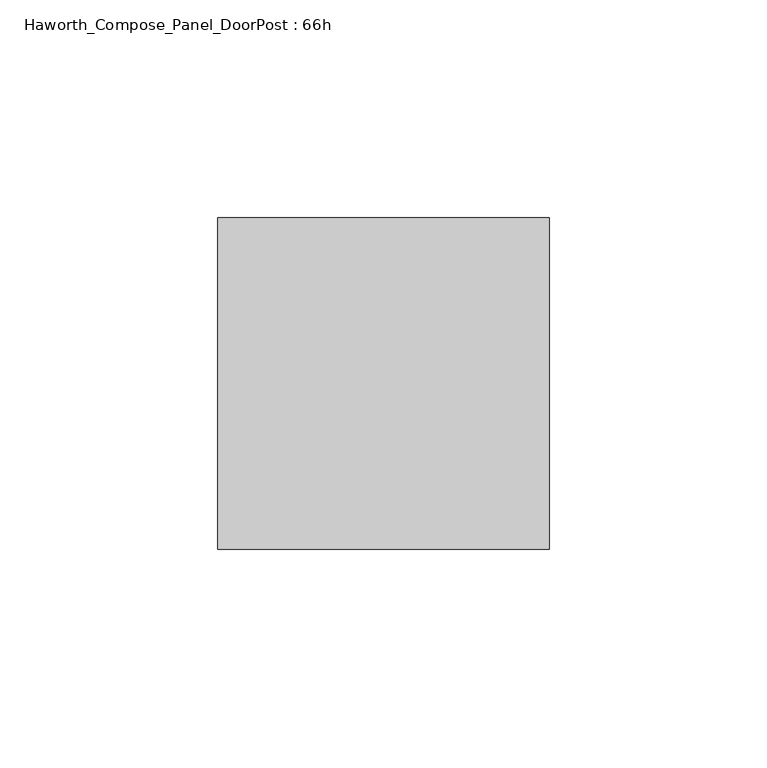
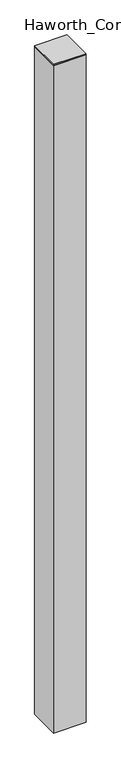
"""IFC4 building model written with IfcOpenShell, lengths in millimetres: furniture geometry, Haworth_Compose_Panel_DoorPost : 66h."""

from ifc_helpers import new_model, si_unit, frame, origin, place, context, project, spatial, polyline, outline, extrude, source, transform, mapped, element, save


def haworth_compose_panel_doorpost_66h_2b8e2376(model_context):
    return source(origin(), model_context, "Body", "SweptSolid", [
        extrude(outline(polyline([(76.2, 38.1), (76.2, -38.1), (0.0, -38.1), (0.0, 38.1), (76.2, 38.1)])), frame((0.0, 0.0, 12.7), z_axis=(0.0, 0.0, 1.0), x_axis=(1.0, 0.0, 0.0)), (0.0, 0.0, 1.0), 1657.35),
        extrude(outline(polyline([(0.0, 38.1), (76.2, 38.1), (76.2, -38.1), (0.0, -38.1), (0.0, 38.1)])), frame((0.0, 0.0, 1670.05), z_axis=(0.0, 0.0, 1.0), x_axis=(1.0, 0.0, 0.0)), (0.0, 0.0, 1.0), 3.175),
    ])


if __name__ == "__main__":
    model = new_model("IFC4")
    model_context = context("Model", 3, world=origin())
    ifc_project = project(units=[si_unit("LENGTHUNIT", "METRE", prefix="MILLI")], contexts=[model_context])
    site = spatial("IfcSite", under=ifc_project)
    building = spatial("IfcBuilding", under=site)
    placement = place(None, origin())
    haworth_compose_panel_doorpost_66h_shape = haworth_compose_panel_doorpost_66h_2b8e2376(model_context)
    element("IfcFurniture", 1, ObjectType="Haworth_Compose_Panel_DoorPost : 66h", at=placement, inside=building, context=model_context, shape_type="MappedRepresentation", body=[
        mapped(haworth_compose_panel_doorpost_66h_shape, transform((0.0, 0.0, 0.0), x_axis=(1.0, 0.0, 0.0), y_axis=(0.0, 1.0, 0.0), z_axis=(0.0, 0.0, 1.0))),
    ])
    save(model, "model.ifc")
